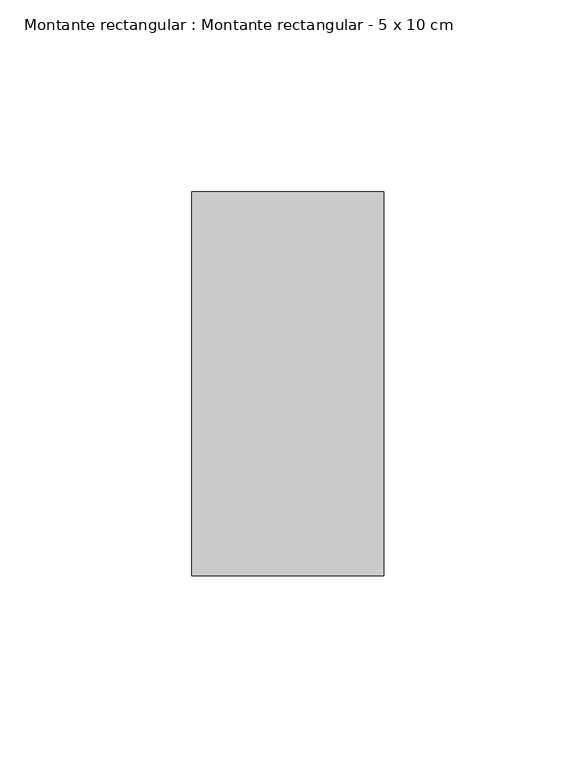
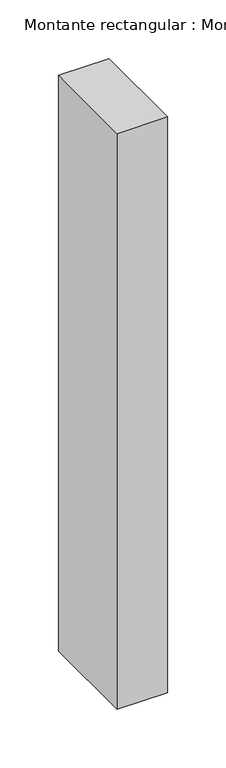
"""IFC4 building model written with IfcOpenShell, lengths in millimetres: member geometry, Montante rectangular : Montante rectangular - 5 x 10 cm."""

from ifc_helpers import new_model, si_unit, frame, origin, place, context, project, spatial, polyline, outline, extrude, source, transform, mapped, element, save


def montante_rectangular_montante_rectangular_5_x_10_cm_059e7456(model_context):
    return source(origin(), model_context, "Body", "SweptSolid", [
        extrude(outline(polyline([(0.0, 50.0), (0.0, -50.0), (-50.0, -50.0), (-50.0, 50.0), (0.0, 50.0)])), frame((0.0, 0.0, -600.0), z_axis=(0.0, 0.0, 1.0), x_axis=(1.0, 0.0, 0.0)), (0.0, 0.0, 1.0), 600.0),
    ])


if __name__ == "__main__":
    model = new_model("IFC4")
    model_context = context("Model", 3, world=origin())
    ifc_project = project(units=[si_unit("LENGTHUNIT", "METRE", prefix="MILLI")], contexts=[model_context])
    site = spatial("IfcSite", under=ifc_project)
    building = spatial("IfcBuilding", under=site)
    placement = place(None, origin())
    montante_rectangular_montante_rectangular_5_x_10_cm_shape = montante_rectangular_montante_rectangular_5_x_10_cm_059e7456(model_context)
    element("IfcMember", 1, ObjectType="Montante rectangular : Montante rectangular - 5 x 10 cm", at=placement, inside=building, context=model_context, shape_type="MappedRepresentation", body=[
        mapped(montante_rectangular_montante_rectangular_5_x_10_cm_shape, transform((0.0, 0.0, 0.0), x_axis=(1.0, 0.0, 0.0), y_axis=(0.0, 1.0, 0.0), z_axis=(0.0, 0.0, 1.0))),
    ])
    save(model, "model.ifc")
